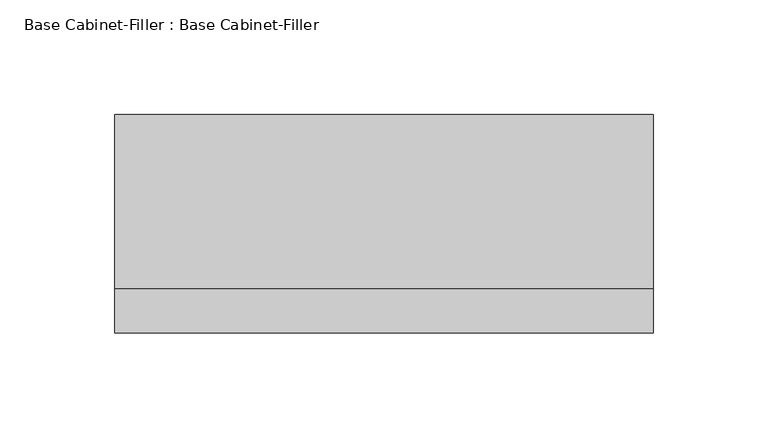
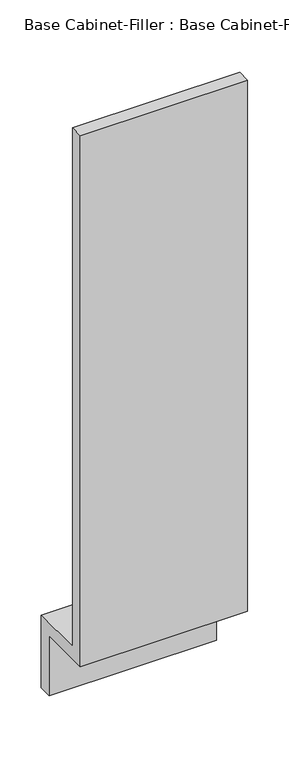
"""IFC4 building model written with IfcOpenShell, lengths in millimetres: furniture geometry, Base Cabinet-Filler : Base Cabinet-Filler."""

from ifc_helpers import new_model, si_unit, frame, origin, place, context, project, spatial, polyline, outline, extrude, source, transform, mapped, element, save


def base_cabinet_filler_base_cabinet_filler_2128d0be(model_context):
    return source(origin(), model_context, "Body", "SweptSolid", [
        extrude(outline(polyline([(-609.6, 88.9), (-609.6, 876.3), (-590.55, 876.3), (-590.55, 107.95), (-514.35, 107.95), (-514.35, 0.0), (-533.4, 0.0), (-533.4, 88.9), (-609.6, 88.9)])), frame((-98.7372951, 0.0, 0.0), z_axis=(1.0, 0.0, 0.0), x_axis=(0.0, 1.0, 0.0)), (0.0, 0.0, 1.0), 234.95),
    ])


if __name__ == "__main__":
    model = new_model("IFC4")
    model_context = context("Model", 3, world=origin())
    ifc_project = project(units=[si_unit("LENGTHUNIT", "METRE", prefix="MILLI")], contexts=[model_context])
    site = spatial("IfcSite", under=ifc_project)
    building = spatial("IfcBuilding", under=site)
    placement = place(None, origin())
    base_cabinet_filler_base_cabinet_filler_shape = base_cabinet_filler_base_cabinet_filler_2128d0be(model_context)
    element("IfcFurniture", 1, ObjectType="Base Cabinet-Filler : Base Cabinet-Filler", at=placement, inside=building, context=model_context, shape_type="MappedRepresentation", body=[
        mapped(base_cabinet_filler_base_cabinet_filler_shape, transform((0.0, 0.0, 0.0), x_axis=(1.0, 0.0, 0.0), y_axis=(0.0, 1.0, 0.0), z_axis=(0.0, 0.0, 1.0))),
    ])
    save(model, "model.ifc")
